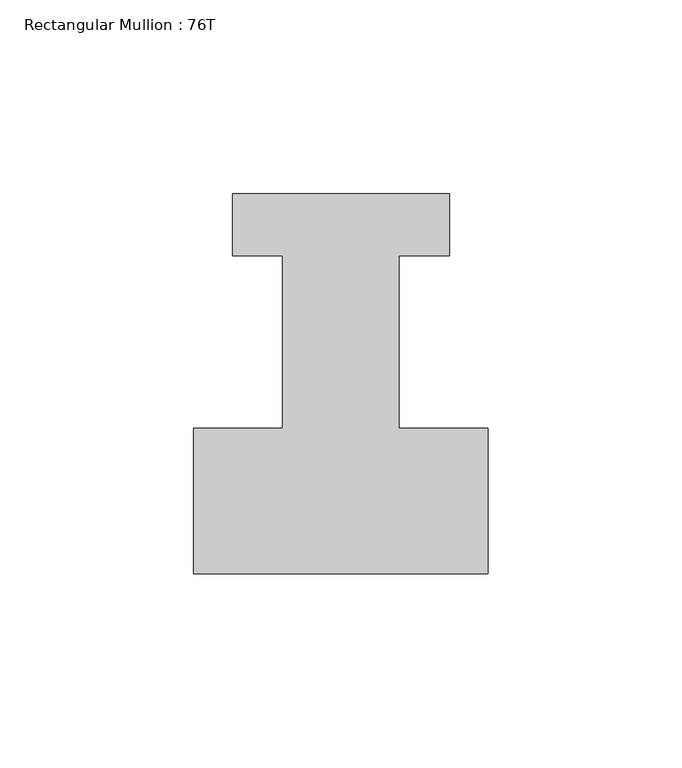
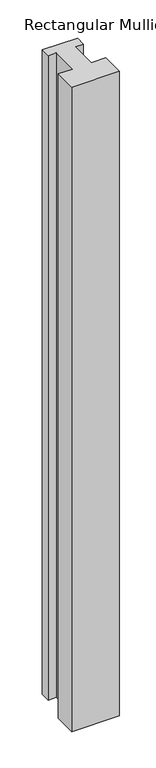
"""IFC4 building model written with IfcOpenShell, lengths in millimetres: member geometry, Rectangular Mullion : 76T."""

import ifcopenshell
import ifcopenshell.guid

model = None  # the IFC model being written
_history = None  # IfcOwnerHistory: only IFC2X3 demands one
_inside = {}  # id of a spatial element -> (the spatial element, [elements in it])
_under = {}  # id of a project, library or spatial element -> (it, [spatial elements below it])
_declared = {}  # id of a project -> (the project, [libraries it declares])
_typed = {}  # id of a type object -> (the type object, [elements of that type])
_made_of = {}  # id of a material, layer set ... -> (it, [elements and type objects made of it])


def new_model(schema):
    """Start an empty IFC model of exactly this schema.

    Asked for "IFC4X3", IfcOpenShell would pick the latest addendum, in which some entities
    have other attributes; the version numbers below select the first issue.
    IFC2X3 requires an IfcOwnerHistory on every rooted entity: one is made here for all.
    """
    global model, _history
    if schema == "IFC4X3":
        model = ifcopenshell.file(schema_version=(4, 3, 0, 0))
    else:
        model = ifcopenshell.file(schema=schema)
    _inside.clear()
    _under.clear()
    _declared.clear()
    _typed.clear()
    _made_of.clear()
    _history = None
    if model.schema == "IFC2X3":
        org = make("IfcOrganization", Name="unknown")
        user = make(
            "IfcPersonAndOrganization",
            ThePerson=make("IfcPerson", FamilyName="unknown"),
            TheOrganization=org,
        )
        app = make(
            "IfcApplication",
            ApplicationDeveloper=org,
            Version="unknown",
            ApplicationFullName="unknown",
            ApplicationIdentifier="unknown",
        )
        _history = make(
            "IfcOwnerHistory",
            OwningUser=user,
            OwningApplication=app,
            ChangeAction="ADDED",
            CreationDate=0,
        )
    return model


def make(cls, **values):
    """One entity of the class cls with the attributes given. An attribute that is None is left unset."""
    return model.create_entity(
        cls, **{name: value for name, value in values.items() if value is not None}
    )


def rooted(cls, **values):
    """An entity with a GlobalId (a new one), such as an element, a storey or a relation."""
    return make(cls, GlobalId=ifcopenshell.guid.new(), OwnerHistory=_history, **values)


def si_unit(unit_type, name, prefix=None):
    """IfcSIUnit, for example si_unit("LENGTHUNIT", "METRE", prefix="MILLI")."""
    return make("IfcSIUnit", UnitType=unit_type, Prefix=prefix, Name=name)


def assignment(units):
    """IfcUnitAssignment: the units of a project."""
    return None if units is None else make("IfcUnitAssignment", Units=units)


def point(xyz):
    """IfcCartesianPoint."""
    return None if xyz is None else make("IfcCartesianPoint", Coordinates=xyz)


def direction(xyz):
    """IfcDirection."""
    return None if xyz is None else make("IfcDirection", DirectionRatios=xyz)


def frame(location, z_axis=None, x_axis=None):
    """IfcAxis2Placement3D, a coordinate frame: its origin and axes. An axis left out is left unset."""
    return make(
        "IfcAxis2Placement3D",
        Location=point(location),
        Axis=direction(z_axis),
        RefDirection=direction(x_axis),
    )


def origin():
    """The frame at (0, 0, 0) with its axes left unset."""
    return frame((0.0, 0.0, 0.0))


def place(relative_to, where):
    """IfcLocalPlacement: puts the frame where relative to a parent placement (None: the world)."""
    return make(
        "IfcLocalPlacement", PlacementRelTo=relative_to, RelativePlacement=where
    )


def context(
    kind, dimensions, precision=None, world=None, true_north=None, identifier=None
):
    """IfcGeometricRepresentationContext, for example the 3D "Model" context."""
    return make(
        "IfcGeometricRepresentationContext",
        ContextIdentifier=identifier,
        ContextType=kind,
        CoordinateSpaceDimension=dimensions,
        Precision=precision,
        WorldCoordinateSystem=world,
        TrueNorth=true_north,
    )


def project(units=None, contexts=None):
    """IfcProject with its units and contexts."""
    return rooted(
        "IfcProject",
        Name="project",
        RepresentationContexts=contexts,
        UnitsInContext=assignment(units),
    )


def spatial(cls, under=None, at=None, **own):
    """A site, building, storey or space (cls), placed at a placement, below another one or the project."""
    s = rooted(cls, ObjectPlacement=at, **own)
    if under is not None:
        _under.setdefault(under.id(), (under, []))[1].append(s)
    return s


def polyline(points):
    """IfcPolyline through the points."""
    return make("IfcPolyline", Points=[point(p) for p in points])


def outline(outer, holes=None, kind="AREA"):
    """IfcArbitraryClosedProfileDef: a profile drawn as a closed curve; with holes, ...WithVoids."""
    if holes is None:
        return make("IfcArbitraryClosedProfileDef", ProfileType=kind, OuterCurve=outer)
    return make(
        "IfcArbitraryProfileDefWithVoids",
        ProfileType=kind,
        OuterCurve=outer,
        InnerCurves=holes,
    )


def extrude(swept, where, along, depth):
    """IfcExtrudedAreaSolid: the profile swept, set in the frame where, extruded along a direction by depth."""
    return make(
        "IfcExtrudedAreaSolid",
        SweptArea=swept,
        Position=where,
        ExtrudedDirection=direction(along),
        Depth=depth,
    )


def shape(context_of_items, identifier, shape_type, items):
    """IfcShapeRepresentation: the items that make up one representation, for example the "Body"."""
    return make(
        "IfcShapeRepresentation",
        ContextOfItems=context_of_items,
        RepresentationIdentifier=identifier,
        RepresentationType=shape_type,
        Items=items,
    )


def source(mapping_origin, context_of_items, identifier, shape_type, items):
    """IfcRepresentationMap: a shape defined once, which mapped items show again and again."""
    return make(
        "IfcRepresentationMap",
        MappingOrigin=mapping_origin,
        MappedRepresentation=shape(context_of_items, identifier, shape_type, items),
    )


def transform(
    local_origin,
    x_axis=None,
    y_axis=None,
    z_axis=None,
    scale=None,
    scale2=None,
    scale3=None,
    uniform=True,
):
    """IfcCartesianTransformationOperator3D, or its non-uniform kind. x_axis, y_axis, z_axis: its Axis1, 2, 3."""
    if uniform:
        return make(
            "IfcCartesianTransformationOperator3D",
            Axis1=direction(x_axis),
            Axis2=direction(y_axis),
            LocalOrigin=point(local_origin),
            Scale=scale,
            Axis3=direction(z_axis),
        )
    return make(
        "IfcCartesianTransformationOperator3DnonUniform",
        Axis1=direction(x_axis),
        Axis2=direction(y_axis),
        LocalOrigin=point(local_origin),
        Scale=scale,
        Axis3=direction(z_axis),
        Scale2=scale2,
        Scale3=scale3,
    )


def mapped(mapping_source, mapping_target):
    """IfcMappedItem: shows the shape of a source again, moved by a transform."""
    return make(
        "IfcMappedItem", MappingSource=mapping_source, MappingTarget=mapping_target
    )


def made_of(thing, what):
    """Note that an element or type object is made of a material, layer set ...; save() writes the relation."""
    if what is not None:
        _made_of.setdefault(what.id(), (what, []))[1].append(thing)
    return thing


def element(
    cls,
    number,
    at=None,
    inside=None,
    cuts=None,
    type_object=None,
    material=None,
    context=None,
    identifier="Body",
    shape_type=None,
    held_by="IfcProductDefinitionShape",
    body=None,
    shapes=None,
    **own,
):
    """One element of the class cls, such as IfcWall. Its Tag is "e" and its number.

    at: its placement. inside: the storey or other place that contains it. cuts: it is an
    opening in that element (IfcRelVoidsElement). A single representation is given by context,
    identifier, shape_type and body (its items); several are given by shapes. held_by: the class
    of the entity that holds the representations. save() writes the other relations.
    """
    e = rooted(cls, Tag="e%d" % number, ObjectPlacement=at, **own)
    if body is not None:
        shapes = [shape(context, identifier, shape_type, body)]
    if shapes is not None:
        e.Representation = make(held_by, Representations=shapes)
    if inside is not None:
        _inside.setdefault(inside.id(), (inside, []))[1].append(e)
    if cuts is not None:
        rooted(
            "IfcRelVoidsElement", RelatingBuildingElement=cuts, RelatedOpeningElement=e
        )
    if type_object is not None:
        _typed.setdefault(type_object.id(), (type_object, []))[1].append(e)
    return made_of(e, material)


def aggregate(whole, parts):
    """IfcRelAggregates: a whole, such as a stair, and the parts it consists of."""
    return rooted("IfcRelAggregates", RelatingObject=whole, RelatedObjects=parts)


def save(model, path):
    """Write the relations noted so far, then the file.

    IfcRelAggregates (storeys below a building ...), IfcRelContainedInSpatialStructure (elements
    in a storey), IfcRelDefinesByType, IfcRelAssociatesMaterial and IfcRelDeclares: one each for
    every whole, place, type object, material and project.
    """
    for whole, parts in _under.values():
        aggregate(whole, parts)
    for where, things in _inside.values():
        rooted(
            "IfcRelContainedInSpatialStructure",
            RelatedElements=things,
            RelatingStructure=where,
        )
    for kind, things in _typed.values():
        rooted("IfcRelDefinesByType", RelatedObjects=things, RelatingType=kind)
    for what, things in _made_of.values():
        rooted("IfcRelAssociatesMaterial", RelatedObjects=things, RelatingMaterial=what)
    for by, libraries in _declared.values():
        rooted("IfcRelDeclares", RelatingContext=by, RelatedDefinitions=libraries)
    model.write(path)


def rectangular_mullion_76t_f8d6d5ac(model_context):
    return source(origin(), model_context, "Body", "SweptSolid", [
        extrude(outline(polyline([(38.0, -38.0), (-38.0, -38.0), (-38.0, -0.5), (-15.0, -0.5), (-15.0, 44.0), (-28.0, 44.0), (-28.0, 60.0), (28.0, 60.0), (28.0, 44.0), (15.0, 44.0), (15.0, -0.5), (38.0, -0.5), (38.0, -38.0)])), frame((0.0, 0.0, -1086.0), z_axis=(0.0, 0.0, 1.0), x_axis=(1.0, 0.0, 0.0)), (0.0, 0.0, 1.0), 1086.0),
    ])


if __name__ == "__main__":
    model = new_model("IFC4")
    model_context = context("Model", 3, world=origin())
    ifc_project = project(units=[si_unit("LENGTHUNIT", "METRE", prefix="MILLI")], contexts=[model_context])
    site = spatial("IfcSite", under=ifc_project)
    building = spatial("IfcBuilding", under=site)
    placement = place(None, origin())
    rectangular_mullion_76t_shape = rectangular_mullion_76t_f8d6d5ac(model_context)
    element("IfcMember", 1, ObjectType="Rectangular Mullion : 76T", at=placement, inside=building, context=model_context, shape_type="MappedRepresentation", body=[
        mapped(rectangular_mullion_76t_shape, transform((0.0, 0.0, 0.0), x_axis=(1.0, 0.0, 0.0), y_axis=(0.0, 1.0, 0.0), z_axis=(0.0, 0.0, 1.0))),
    ])
    save(model, "model.ifc")
